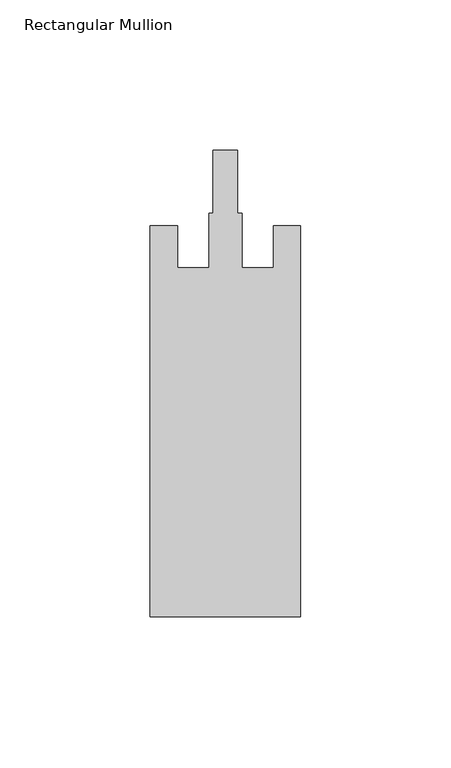
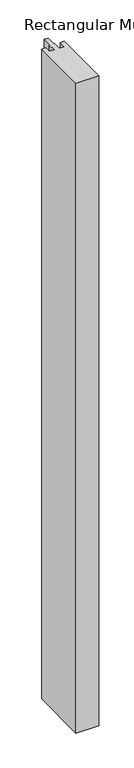
"""IFC4 building model written with IfcOpenShell, lengths in millimetres: member geometry, Rectangular Mullion."""

from ifc_helpers import new_model, si_unit, frame, origin, place, context, project, spatial, polyline, outline, extrude, source, transform, mapped, element, save


def rectangular_mullion_96ddb8fc(model_context):
    return source(origin(), model_context, "Body", "SweptSolid", [
        extrude(outline(polyline([(-50.0, -162.0), (-50.0, -32.0), (-41.0, -32.0), (-41.0, -46.0), (-30.5, -46.0), (-30.5, -27.8), (-29.1, -27.8), (-29.1, -7.0), (-20.9, -7.0), (-20.9, -27.8), (-19.5, -27.8), (-19.5, -46.0), (-9.0, -46.0), (-9.0, -32.0), (0.0, -32.0), (0.0, -162.0), (-50.0, -162.0)])), frame((0.0, 0.0, -1500.0), z_axis=(0.0, 0.0, 1.0), x_axis=(1.0, 0.0, 0.0)), (0.0, 0.0, 1.0), 1500.0),
    ])


if __name__ == "__main__":
    model = new_model("IFC4")
    model_context = context("Model", 3, world=origin())
    ifc_project = project(units=[si_unit("LENGTHUNIT", "METRE", prefix="MILLI")], contexts=[model_context])
    site = spatial("IfcSite", under=ifc_project)
    building = spatial("IfcBuilding", under=site)
    placement = place(None, origin())
    rectangular_mullion_shape = rectangular_mullion_96ddb8fc(model_context)
    element("IfcMember", 1, ObjectType="Rectangular Mullion", at=placement, inside=building, context=model_context, shape_type="MappedRepresentation", body=[
        mapped(rectangular_mullion_shape, transform((0.0, 0.0, 0.0), x_axis=(1.0, 0.0, 0.0), y_axis=(0.0, 1.0, 0.0), z_axis=(0.0, 0.0, 1.0))),
    ])
    save(model, "model.ifc")
